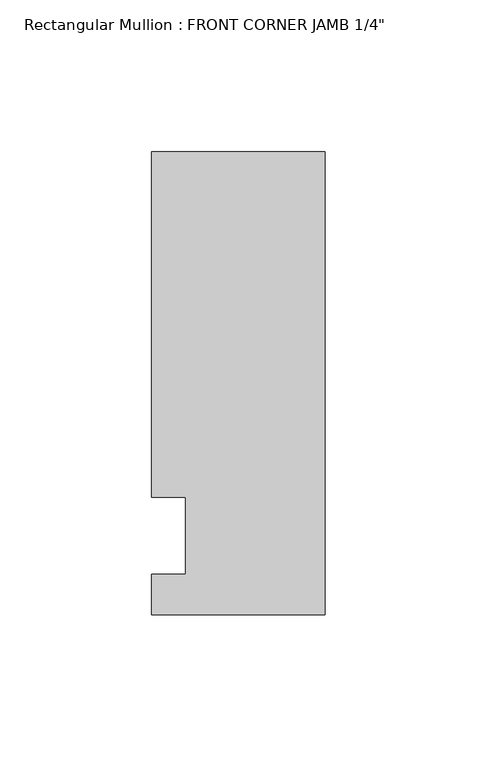
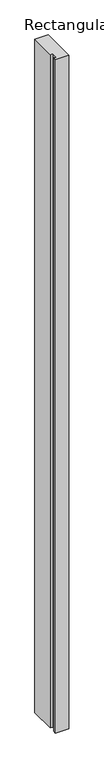
"""IFC4 building model written with IfcOpenShell, lengths in millimetres: member geometry."""

import ifcopenshell
import ifcopenshell.guid

model = None  # the IFC model being written
_history = None  # IfcOwnerHistory: only IFC2X3 demands one
_inside = {}  # id of a spatial element -> (the spatial element, [elements in it])
_under = {}  # id of a project, library or spatial element -> (it, [spatial elements below it])
_declared = {}  # id of a project -> (the project, [libraries it declares])
_typed = {}  # id of a type object -> (the type object, [elements of that type])
_made_of = {}  # id of a material, layer set ... -> (it, [elements and type objects made of it])


def new_model(schema):
    """Start an empty IFC model of exactly this schema.

    Asked for "IFC4X3", IfcOpenShell would pick the latest addendum, in which some entities
    have other attributes; the version numbers below select the first issue.
    IFC2X3 requires an IfcOwnerHistory on every rooted entity: one is made here for all.
    """
    global model, _history
    if schema == "IFC4X3":
        model = ifcopenshell.file(schema_version=(4, 3, 0, 0))
    else:
        model = ifcopenshell.file(schema=schema)
    _inside.clear()
    _under.clear()
    _declared.clear()
    _typed.clear()
    _made_of.clear()
    _history = None
    if model.schema == "IFC2X3":
        org = make("IfcOrganization", Name="unknown")
        user = make(
            "IfcPersonAndOrganization",
            ThePerson=make("IfcPerson", FamilyName="unknown"),
            TheOrganization=org,
        )
        app = make(
            "IfcApplication",
            ApplicationDeveloper=org,
            Version="unknown",
            ApplicationFullName="unknown",
            ApplicationIdentifier="unknown",
        )
        _history = make(
            "IfcOwnerHistory",
            OwningUser=user,
            OwningApplication=app,
            ChangeAction="ADDED",
            CreationDate=0,
        )
    return model


def make(cls, **values):
    """One entity of the class cls with the attributes given. An attribute that is None is left unset."""
    return model.create_entity(
        cls, **{name: value for name, value in values.items() if value is not None}
    )


def rooted(cls, **values):
    """An entity with a GlobalId (a new one), such as an element, a storey or a relation."""
    return make(cls, GlobalId=ifcopenshell.guid.new(), OwnerHistory=_history, **values)


def si_unit(unit_type, name, prefix=None):
    """IfcSIUnit, for example si_unit("LENGTHUNIT", "METRE", prefix="MILLI")."""
    return make("IfcSIUnit", UnitType=unit_type, Prefix=prefix, Name=name)


def assignment(units):
    """IfcUnitAssignment: the units of a project."""
    return None if units is None else make("IfcUnitAssignment", Units=units)


def point(xyz):
    """IfcCartesianPoint."""
    return None if xyz is None else make("IfcCartesianPoint", Coordinates=xyz)


def direction(xyz):
    """IfcDirection."""
    return None if xyz is None else make("IfcDirection", DirectionRatios=xyz)


def frame(location, z_axis=None, x_axis=None):
    """IfcAxis2Placement3D, a coordinate frame: its origin and axes. An axis left out is left unset."""
    return make(
        "IfcAxis2Placement3D",
        Location=point(location),
        Axis=direction(z_axis),
        RefDirection=direction(x_axis),
    )


def origin():
    """The frame at (0, 0, 0) with its axes left unset."""
    return frame((0.0, 0.0, 0.0))


def place(relative_to, where):
    """IfcLocalPlacement: puts the frame where relative to a parent placement (None: the world)."""
    return make(
        "IfcLocalPlacement", PlacementRelTo=relative_to, RelativePlacement=where
    )


def context(
    kind, dimensions, precision=None, world=None, true_north=None, identifier=None
):
    """IfcGeometricRepresentationContext, for example the 3D "Model" context."""
    return make(
        "IfcGeometricRepresentationContext",
        ContextIdentifier=identifier,
        ContextType=kind,
        CoordinateSpaceDimension=dimensions,
        Precision=precision,
        WorldCoordinateSystem=world,
        TrueNorth=true_north,
    )


def project(units=None, contexts=None):
    """IfcProject with its units and contexts."""
    return rooted(
        "IfcProject",
        Name="project",
        RepresentationContexts=contexts,
        UnitsInContext=assignment(units),
    )


def spatial(cls, under=None, at=None, **own):
    """A site, building, storey or space (cls), placed at a placement, below another one or the project."""
    s = rooted(cls, ObjectPlacement=at, **own)
    if under is not None:
        _under.setdefault(under.id(), (under, []))[1].append(s)
    return s


def polyline(points):
    """IfcPolyline through the points."""
    return make("IfcPolyline", Points=[point(p) for p in points])


def outline(outer, holes=None, kind="AREA"):
    """IfcArbitraryClosedProfileDef: a profile drawn as a closed curve; with holes, ...WithVoids."""
    if holes is None:
        return make("IfcArbitraryClosedProfileDef", ProfileType=kind, OuterCurve=outer)
    return make(
        "IfcArbitraryProfileDefWithVoids",
        ProfileType=kind,
        OuterCurve=outer,
        InnerCurves=holes,
    )


def extrude(swept, where, along, depth):
    """IfcExtrudedAreaSolid: the profile swept, set in the frame where, extruded along a direction by depth."""
    return make(
        "IfcExtrudedAreaSolid",
        SweptArea=swept,
        Position=where,
        ExtrudedDirection=direction(along),
        Depth=depth,
    )


def shape(context_of_items, identifier, shape_type, items):
    """IfcShapeRepresentation: the items that make up one representation, for example the "Body"."""
    return make(
        "IfcShapeRepresentation",
        ContextOfItems=context_of_items,
        RepresentationIdentifier=identifier,
        RepresentationType=shape_type,
        Items=items,
    )


def source(mapping_origin, context_of_items, identifier, shape_type, items):
    """IfcRepresentationMap: a shape defined once, which mapped items show again and again."""
    return make(
        "IfcRepresentationMap",
        MappingOrigin=mapping_origin,
        MappedRepresentation=shape(context_of_items, identifier, shape_type, items),
    )


def transform(
    local_origin,
    x_axis=None,
    y_axis=None,
    z_axis=None,
    scale=None,
    scale2=None,
    scale3=None,
    uniform=True,
):
    """IfcCartesianTransformationOperator3D, or its non-uniform kind. x_axis, y_axis, z_axis: its Axis1, 2, 3."""
    if uniform:
        return make(
            "IfcCartesianTransformationOperator3D",
            Axis1=direction(x_axis),
            Axis2=direction(y_axis),
            LocalOrigin=point(local_origin),
            Scale=scale,
            Axis3=direction(z_axis),
        )
    return make(
        "IfcCartesianTransformationOperator3DnonUniform",
        Axis1=direction(x_axis),
        Axis2=direction(y_axis),
        LocalOrigin=point(local_origin),
        Scale=scale,
        Axis3=direction(z_axis),
        Scale2=scale2,
        Scale3=scale3,
    )


def mapped(mapping_source, mapping_target):
    """IfcMappedItem: shows the shape of a source again, moved by a transform."""
    return make(
        "IfcMappedItem", MappingSource=mapping_source, MappingTarget=mapping_target
    )


def made_of(thing, what):
    """Note that an element or type object is made of a material, layer set ...; save() writes the relation."""
    if what is not None:
        _made_of.setdefault(what.id(), (what, []))[1].append(thing)
    return thing


def element(
    cls,
    number,
    at=None,
    inside=None,
    cuts=None,
    type_object=None,
    material=None,
    context=None,
    identifier="Body",
    shape_type=None,
    held_by="IfcProductDefinitionShape",
    body=None,
    shapes=None,
    **own,
):
    """One element of the class cls, such as IfcWall. Its Tag is "e" and its number.

    at: its placement. inside: the storey or other place that contains it. cuts: it is an
    opening in that element (IfcRelVoidsElement). A single representation is given by context,
    identifier, shape_type and body (its items); several are given by shapes. held_by: the class
    of the entity that holds the representations. save() writes the other relations.
    """
    e = rooted(cls, Tag="e%d" % number, ObjectPlacement=at, **own)
    if body is not None:
        shapes = [shape(context, identifier, shape_type, body)]
    if shapes is not None:
        e.Representation = make(held_by, Representations=shapes)
    if inside is not None:
        _inside.setdefault(inside.id(), (inside, []))[1].append(e)
    if cuts is not None:
        rooted(
            "IfcRelVoidsElement", RelatingBuildingElement=cuts, RelatedOpeningElement=e
        )
    if type_object is not None:
        _typed.setdefault(type_object.id(), (type_object, []))[1].append(e)
    return made_of(e, material)


def aggregate(whole, parts):
    """IfcRelAggregates: a whole, such as a stair, and the parts it consists of."""
    return rooted("IfcRelAggregates", RelatingObject=whole, RelatedObjects=parts)


def save(model, path):
    """Write the relations noted so far, then the file.

    IfcRelAggregates (storeys below a building ...), IfcRelContainedInSpatialStructure (elements
    in a storey), IfcRelDefinesByType, IfcRelAssociatesMaterial and IfcRelDeclares: one each for
    every whole, place, type object, material and project.
    """
    for whole, parts in _under.values():
        aggregate(whole, parts)
    for where, things in _inside.values():
        rooted(
            "IfcRelContainedInSpatialStructure",
            RelatedElements=things,
            RelatingStructure=where,
        )
    for kind, things in _typed.values():
        rooted("IfcRelDefinesByType", RelatedObjects=things, RelatingType=kind)
    for what, things in _made_of.values():
        rooted("IfcRelAssociatesMaterial", RelatedObjects=things, RelatingMaterial=what)
    for by, libraries in _declared.values():
        rooted("IfcRelDeclares", RelatingContext=by, RelatedDefinitions=libraries)
    model.write(path)


def member_9ff0fc27(model_context):
    return source(origin(), model_context, "Body", "SweptSolid", [
        extrude(outline(polyline([(-57.15, -32.2460937), (-57.15, -19.0507937), (-46.0375, -19.0507937), (-46.0375, 6.3492063), (-57.15, 6.3492063), (-57.15, 120.1539063), (0.0, 120.1539063), (0.0, -32.2460937), (-57.15, -32.2460937)])), frame((0.0, 0.0, -3048.0), z_axis=(0.0, 0.0, 1.0), x_axis=(1.0, 0.0, 0.0)), (0.0, 0.0, 1.0), 3048.0),
    ])


if __name__ == "__main__":
    model = new_model("IFC4")
    model_context = context("Model", 3, world=origin())
    ifc_project = project(units=[si_unit("LENGTHUNIT", "METRE", prefix="MILLI")], contexts=[model_context])
    site = spatial("IfcSite", under=ifc_project)
    building = spatial("IfcBuilding", under=site)
    placement = place(None, origin())
    member_shape = member_9ff0fc27(model_context)
    element("IfcMember", 1, ObjectType="Rectangular Mullion : FRONT CORNER JAMB 1/4\"", at=placement, inside=building, context=model_context, shape_type="MappedRepresentation", body=[
        mapped(member_shape, transform((0.0, 0.0, 0.0), x_axis=(1.0, 0.0, 0.0), y_axis=(0.0, 1.0, 0.0), z_axis=(0.0, 0.0, 1.0))),
    ])
    save(model, "model.ifc")
